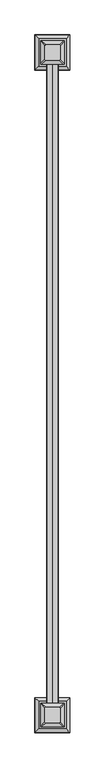
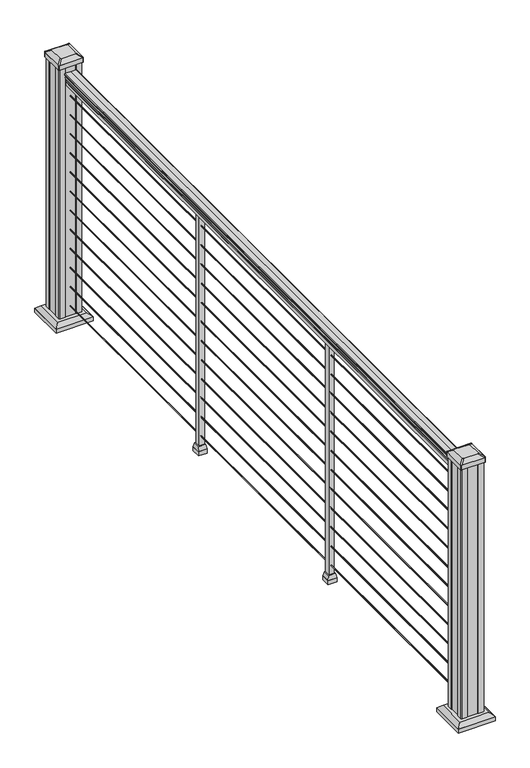
"""IFC4 building model written with IfcOpenShell, lengths in millimetres: railing geometry."""

import ifcopenshell
import ifcopenshell.guid

model = None  # the IFC model being written
_history = None  # IfcOwnerHistory: only IFC2X3 demands one
_inside = {}  # id of a spatial element -> (the spatial element, [elements in it])
_under = {}  # id of a project, library or spatial element -> (it, [spatial elements below it])
_declared = {}  # id of a project -> (the project, [libraries it declares])
_typed = {}  # id of a type object -> (the type object, [elements of that type])
_made_of = {}  # id of a material, layer set ... -> (it, [elements and type objects made of it])


def new_model(schema):
    """Start an empty IFC model of exactly this schema.

    Asked for "IFC4X3", IfcOpenShell would pick the latest addendum, in which some entities
    have other attributes; the version numbers below select the first issue.
    IFC2X3 requires an IfcOwnerHistory on every rooted entity: one is made here for all.
    """
    global model, _history
    if schema == "IFC4X3":
        model = ifcopenshell.file(schema_version=(4, 3, 0, 0))
    else:
        model = ifcopenshell.file(schema=schema)
    _inside.clear()
    _under.clear()
    _declared.clear()
    _typed.clear()
    _made_of.clear()
    _history = None
    if model.schema == "IFC2X3":
        org = make("IfcOrganization", Name="unknown")
        user = make(
            "IfcPersonAndOrganization",
            ThePerson=make("IfcPerson", FamilyName="unknown"),
            TheOrganization=org,
        )
        app = make(
            "IfcApplication",
            ApplicationDeveloper=org,
            Version="unknown",
            ApplicationFullName="unknown",
            ApplicationIdentifier="unknown",
        )
        _history = make(
            "IfcOwnerHistory",
            OwningUser=user,
            OwningApplication=app,
            ChangeAction="ADDED",
            CreationDate=0,
        )
    return model


def make(cls, **values):
    """One entity of the class cls with the attributes given. An attribute that is None is left unset."""
    return model.create_entity(
        cls, **{name: value for name, value in values.items() if value is not None}
    )


def rooted(cls, **values):
    """An entity with a GlobalId (a new one), such as an element, a storey or a relation."""
    return make(cls, GlobalId=ifcopenshell.guid.new(), OwnerHistory=_history, **values)


def si_unit(unit_type, name, prefix=None):
    """IfcSIUnit, for example si_unit("LENGTHUNIT", "METRE", prefix="MILLI")."""
    return make("IfcSIUnit", UnitType=unit_type, Prefix=prefix, Name=name)


def assignment(units):
    """IfcUnitAssignment: the units of a project."""
    return None if units is None else make("IfcUnitAssignment", Units=units)


def point(xyz):
    """IfcCartesianPoint."""
    return None if xyz is None else make("IfcCartesianPoint", Coordinates=xyz)


def direction(xyz):
    """IfcDirection."""
    return None if xyz is None else make("IfcDirection", DirectionRatios=xyz)


def frame(location, z_axis=None, x_axis=None):
    """IfcAxis2Placement3D, a coordinate frame: its origin and axes. An axis left out is left unset."""
    return make(
        "IfcAxis2Placement3D",
        Location=point(location),
        Axis=direction(z_axis),
        RefDirection=direction(x_axis),
    )


def frame_2d(location, x_axis=None):
    """IfcAxis2Placement2D, a coordinate frame in the plane: its origin and x axis."""
    return make(
        "IfcAxis2Placement2D", Location=point(location), RefDirection=direction(x_axis)
    )


def origin():
    """The frame at (0, 0, 0) with its axes left unset."""
    return frame((0.0, 0.0, 0.0))


def origin_with_axes():
    """The frame at (0, 0, 0) with the z axis (0, 0, 1) and the x axis (1, 0, 0) written out."""
    return frame((0.0, 0.0, 0.0), z_axis=(0.0, 0.0, 1.0), x_axis=(1.0, 0.0, 0.0))


def place(relative_to, where):
    """IfcLocalPlacement: puts the frame where relative to a parent placement (None: the world)."""
    return make(
        "IfcLocalPlacement", PlacementRelTo=relative_to, RelativePlacement=where
    )


def context(
    kind, dimensions, precision=None, world=None, true_north=None, identifier=None
):
    """IfcGeometricRepresentationContext, for example the 3D "Model" context."""
    return make(
        "IfcGeometricRepresentationContext",
        ContextIdentifier=identifier,
        ContextType=kind,
        CoordinateSpaceDimension=dimensions,
        Precision=precision,
        WorldCoordinateSystem=world,
        TrueNorth=true_north,
    )


def project(units=None, contexts=None):
    """IfcProject with its units and contexts."""
    return rooted(
        "IfcProject",
        Name="project",
        RepresentationContexts=contexts,
        UnitsInContext=assignment(units),
    )


def spatial(cls, under=None, at=None, **own):
    """A site, building, storey or space (cls), placed at a placement, below another one or the project."""
    s = rooted(cls, ObjectPlacement=at, **own)
    if under is not None:
        _under.setdefault(under.id(), (under, []))[1].append(s)
    return s


def polyline(points):
    """IfcPolyline through the points."""
    return make("IfcPolyline", Points=[point(p) for p in points])


def circle_curve(where, radius):
    """IfcCircle in the frame where."""
    return make("IfcCircle", Position=where, Radius=radius)


def trimmed(basis, trim1, trim2, sense, master):
    """IfcTrimmedCurve: the piece of a basis curve between two trims."""
    return make(
        "IfcTrimmedCurve",
        BasisCurve=basis,
        Trim1=trim1,
        Trim2=trim2,
        SenseAgreement=sense,
        MasterRepresentation=master,
    )


def segment(curve, same_sense, transition):
    """IfcCompositeCurveSegment."""
    return make(
        "IfcCompositeCurveSegment",
        Transition=transition,
        SameSense=same_sense,
        ParentCurve=curve,
    )


def composite_curve(segments, self_intersect=None):
    """IfcCompositeCurve: segments joined end to end."""
    return make("IfcCompositeCurve", Segments=segments, SelfIntersect=self_intersect)


def outline(outer, holes=None, kind="AREA"):
    """IfcArbitraryClosedProfileDef: a profile drawn as a closed curve; with holes, ...WithVoids."""
    if holes is None:
        return make("IfcArbitraryClosedProfileDef", ProfileType=kind, OuterCurve=outer)
    return make(
        "IfcArbitraryProfileDefWithVoids",
        ProfileType=kind,
        OuterCurve=outer,
        InnerCurves=holes,
    )


def extrude(swept, where, along, depth):
    """IfcExtrudedAreaSolid: the profile swept, set in the frame where, extruded along a direction by depth."""
    return make(
        "IfcExtrudedAreaSolid",
        SweptArea=swept,
        Position=where,
        ExtrudedDirection=direction(along),
        Depth=depth,
    )


def faces_of(points, faces, orient=None, outer=None):
    """IfcFace entities. A face is a list of loops; a loop is a list of indices into points, from 0.

    orient and outer hold one flag for each loop. By default every Orientation is true, the
    first loop of a face is its IfcFaceOuterBound and the others are IfcFaceBound.
    """
    made = []
    for i, loops in enumerate(faces):
        bounds = []
        for j, loop in enumerate(loops):
            is_outer = j == 0 if outer is None else outer[i][j]
            bounds.append(
                make(
                    "IfcFaceOuterBound" if is_outer else "IfcFaceBound",
                    Bound=make("IfcPolyLoop", Polygon=[points[k] for k in loop]),
                    Orientation=True if orient is None else orient[i][j],
                )
            )
        made.append(make("IfcFace", Bounds=bounds))
    return made


def faceted_brep(points, faces, orient=None, outer=None, voids=None):
    """IfcFacetedBrep: a solid bounded by flat faces; with voids (closed shells), ...WithVoids."""
    shared = [point(p) for p in points]
    hull = make("IfcClosedShell", CfsFaces=faces_of(shared, faces, orient, outer))
    if voids is None:
        return make("IfcFacetedBrep", Outer=hull)
    return make(
        "IfcFacetedBrepWithVoids",
        Outer=hull,
        Voids=[
            make(cls, CfsFaces=faces_of(shared, fs, o, b)) for cls, fs, o, b in voids
        ],
    )


def shape(context_of_items, identifier, shape_type, items):
    """IfcShapeRepresentation: the items that make up one representation, for example the "Body"."""
    return make(
        "IfcShapeRepresentation",
        ContextOfItems=context_of_items,
        RepresentationIdentifier=identifier,
        RepresentationType=shape_type,
        Items=items,
    )


def source(mapping_origin, context_of_items, identifier, shape_type, items):
    """IfcRepresentationMap: a shape defined once, which mapped items show again and again."""
    return make(
        "IfcRepresentationMap",
        MappingOrigin=mapping_origin,
        MappedRepresentation=shape(context_of_items, identifier, shape_type, items),
    )


def transform(
    local_origin,
    x_axis=None,
    y_axis=None,
    z_axis=None,
    scale=None,
    scale2=None,
    scale3=None,
    uniform=True,
):
    """IfcCartesianTransformationOperator3D, or its non-uniform kind. x_axis, y_axis, z_axis: its Axis1, 2, 3."""
    if uniform:
        return make(
            "IfcCartesianTransformationOperator3D",
            Axis1=direction(x_axis),
            Axis2=direction(y_axis),
            LocalOrigin=point(local_origin),
            Scale=scale,
            Axis3=direction(z_axis),
        )
    return make(
        "IfcCartesianTransformationOperator3DnonUniform",
        Axis1=direction(x_axis),
        Axis2=direction(y_axis),
        LocalOrigin=point(local_origin),
        Scale=scale,
        Axis3=direction(z_axis),
        Scale2=scale2,
        Scale3=scale3,
    )


def mapped(mapping_source, mapping_target):
    """IfcMappedItem: shows the shape of a source again, moved by a transform."""
    return make(
        "IfcMappedItem", MappingSource=mapping_source, MappingTarget=mapping_target
    )


def made_of(thing, what):
    """Note that an element or type object is made of a material, layer set ...; save() writes the relation."""
    if what is not None:
        _made_of.setdefault(what.id(), (what, []))[1].append(thing)
    return thing


def element(
    cls,
    number,
    at=None,
    inside=None,
    cuts=None,
    type_object=None,
    material=None,
    context=None,
    identifier="Body",
    shape_type=None,
    held_by="IfcProductDefinitionShape",
    body=None,
    shapes=None,
    **own,
):
    """One element of the class cls, such as IfcWall. Its Tag is "e" and its number.

    at: its placement. inside: the storey or other place that contains it. cuts: it is an
    opening in that element (IfcRelVoidsElement). A single representation is given by context,
    identifier, shape_type and body (its items); several are given by shapes. held_by: the class
    of the entity that holds the representations. save() writes the other relations.
    """
    e = rooted(cls, Tag="e%d" % number, ObjectPlacement=at, **own)
    if body is not None:
        shapes = [shape(context, identifier, shape_type, body)]
    if shapes is not None:
        e.Representation = make(held_by, Representations=shapes)
    if inside is not None:
        _inside.setdefault(inside.id(), (inside, []))[1].append(e)
    if cuts is not None:
        rooted(
            "IfcRelVoidsElement", RelatingBuildingElement=cuts, RelatedOpeningElement=e
        )
    if type_object is not None:
        _typed.setdefault(type_object.id(), (type_object, []))[1].append(e)
    return made_of(e, material)


def aggregate(whole, parts):
    """IfcRelAggregates: a whole, such as a stair, and the parts it consists of."""
    return rooted("IfcRelAggregates", RelatingObject=whole, RelatedObjects=parts)


def save(model, path):
    """Write the relations noted so far, then the file.

    IfcRelAggregates (storeys below a building ...), IfcRelContainedInSpatialStructure (elements
    in a storey), IfcRelDefinesByType, IfcRelAssociatesMaterial and IfcRelDeclares: one each for
    every whole, place, type object, material and project.
    """
    for whole, parts in _under.values():
        aggregate(whole, parts)
    for where, things in _inside.values():
        rooted(
            "IfcRelContainedInSpatialStructure",
            RelatedElements=things,
            RelatingStructure=where,
        )
    for kind, things in _typed.values():
        rooted("IfcRelDefinesByType", RelatedObjects=things, RelatingType=kind)
    for what, things in _made_of.values():
        rooted("IfcRelAssociatesMaterial", RelatedObjects=things, RelatingMaterial=what)
    for by, libraries in _declared.values():
        rooted("IfcRelDeclares", RelatingContext=by, RelatedDefinitions=libraries)
    model.write(path)


def plane_surface(at):
    """IfcPlane: the flat surface through the origin of the frame at, square to its z axis."""
    return make("IfcPlane", Position=at)


def extruded_surface(curve, direction_of_extrusion, depth):
    """IfcSurfaceOfLinearExtrusion: the curve pushed along a direction by depth."""
    return make(
        "IfcSurfaceOfLinearExtrusion",
        SweptCurve=make("IfcArbitraryOpenProfileDef", ProfileType="CURVE", Curve=curve),
        ExtrudedDirection=direction(direction_of_extrusion),
        Depth=depth,
    )


def advanced_brep(points, edges, surfaces, faces):
    """IfcAdvancedBrep: a solid bounded by faces that lie on surfaces and meet in shared edges.

    An edge is (start, end): straight between two places in points (the first is 0);
    or (start, end, curve); or (start, end, curve, False) where it runs against its curve.
    A face is (place in surfaces, loops), or (place, loops, False) where it looks against
    its surface's normal. A loop lists edges by number (the first is 1), with a minus sign
    where the edge is run from its end to its start. The first loop is the outer one.
    """
    corners = [point(p) for p in points]
    vertices = [make("IfcVertexPoint", VertexGeometry=c) for c in corners]
    made = []
    for start, end, *more in edges:
        made.append(
            make(
                "IfcEdgeCurve",
                EdgeStart=vertices[start],
                EdgeEnd=vertices[end],
                EdgeGeometry=more[0] if more else make("IfcPolyline", Points=[corners[start], corners[end]]),
                SameSense=more[1] if len(more) > 1 else True,
            )
        )
    hull = []
    for where, loops, *sense in faces:
        bounds = []
        for j, loop in enumerate(loops):
            ring = [make("IfcOrientedEdge", EdgeElement=made[abs(k) - 1], Orientation=k > 0) for k in loop]
            bounds.append(
                make(
                    "IfcFaceOuterBound" if j == 0 else "IfcFaceBound",
                    Bound=make("IfcEdgeLoop", EdgeList=ring),
                    Orientation=True,
                )
            )
        hull.append(make("IfcAdvancedFace", Bounds=bounds, FaceSurface=surfaces[where], SameSense=sense[0] if sense else True))
    return make("IfcAdvancedBrep", Outer=make("IfcClosedShell", CfsFaces=hull))


def railing_81ec1848(model_context):
    return source(origin(), model_context, "Body", "SolidModel", [
        extrude(outline(composite_curve([segment(polyline([(938.4043297, 817.3789699), (940.292412, 817.3789699)]), True, "CONTINUOUS"), segment(trimmed(circle_curve(frame_2d((946.0506383, 811.0642167)), 8.545951), [point((940.292412, 817.3789699))], [point((941.8546695, 818.5091562))], False, "CARTESIAN"), True, "CONTINUOUS"), segment(trimmed(circle_curve(frame_2d((945.4636577, 811.5012796)), 7.882584), [point((941.8546695, 818.5091562))], [point((949.0726458, 818.5091562))], False, "CARTESIAN"), True, "CONTINUOUS"), segment(trimmed(circle_curve(frame_2d((951.3112527, 822.0146037)), 4.1592695), [point((949.0726458, 818.5091562))], [point((951.5060812, 817.8598998))], True, "CARTESIAN"), True, "CONTINUOUS"), segment(trimmed(circle_curve(frame_2d((951.2508864, 823.3019103)), 5.4479907), [point((951.5060812, 817.8598998))], [point((955.8362083, 820.3598998))], True, "CARTESIAN"), True, "CONTINUOUS"), segment(trimmed(circle_curve(frame_2d((955.833395, 822.0687519)), 1.7088543), [point((955.8362083, 820.3598998))], [point((957.5157972, 821.7692423))], True, "CARTESIAN"), True, "CONTINUOUS"), segment(trimmed(circle_curve(frame_2d((958.6205318, 820.4518518)), 1.7192895), [point((957.5157972, 821.7692423))], [point((958.6205318, 822.1711413))], False, "CARTESIAN"), True, "CONTINUOUS"), segment(polyline([(958.6205318, 822.1711413), (959.9608158, 822.1711412)]), True, "CONTINUOUS"), segment(trimmed(circle_curve(frame_2d((959.9608158, 820.617694)), 1.5534472), [point((959.9608158, 822.1711412))], [point((961.514263, 820.617694))], False, "CARTESIAN"), True, "CONTINUOUS"), segment(polyline([(961.514263, 820.617694), (961.514263, 799.9461412), (961.514263, 779.2745884)]), True, "CONTINUOUS"), segment(trimmed(circle_curve(frame_2d((959.9608158, 779.2745884)), 1.5534472), [point((961.514263, 779.2745884))], [point((959.9608158, 777.7211412))], False, "CARTESIAN"), True, "CONTINUOUS"), segment(polyline([(959.9608158, 777.7211412), (958.6205318, 777.7211412)]), True, "CONTINUOUS"), segment(trimmed(circle_curve(frame_2d((958.6205318, 779.4404306)), 1.7192895), [point((958.6205318, 777.7211412))], [point((957.5157972, 778.1230401))], False, "CARTESIAN"), True, "CONTINUOUS"), segment(trimmed(circle_curve(frame_2d((955.833395, 777.8235305)), 1.7088543), [point((957.5157972, 778.1230401))], [point((955.8362083, 779.5323826))], True, "CARTESIAN"), True, "CONTINUOUS"), segment(trimmed(circle_curve(frame_2d((951.2508864, 776.5903721)), 5.4479907), [point((955.8362083, 779.5323826))], [point((951.5060812, 782.0323826))], True, "CARTESIAN"), True, "CONTINUOUS"), segment(trimmed(circle_curve(frame_2d((951.3112527, 777.8776786)), 4.1592695), [point((951.5060812, 782.0323826))], [point((949.0726458, 781.3831262))], True, "CARTESIAN"), True, "CONTINUOUS"), segment(trimmed(circle_curve(frame_2d((945.4636577, 788.3910028)), 7.882584), [point((949.0726458, 781.3831262))], [point((941.8546695, 781.3831262))], False, "CARTESIAN"), True, "CONTINUOUS"), segment(trimmed(circle_curve(frame_2d((946.0506383, 788.8280657)), 8.545951), [point((941.8546695, 781.3831262))], [point((940.292412, 782.5133125))], False, "CARTESIAN"), True, "CONTINUOUS"), segment(polyline([(940.292412, 782.5133125), (938.4043297, 782.5133125)]), True, "CONTINUOUS"), segment(trimmed(circle_curve(frame_2d((938.4043297, 783.8002268)), 1.2869144), [point((938.4043297, 782.5133125))], [point((938.4043297, 785.0871412))], False, "CARTESIAN"), True, "CONTINUOUS"), segment(polyline([(938.4043297, 785.0871412), (927.9048283, 785.0871412), (926.8888283, 784.0711412), (914.4, 784.0711412), (914.4, 815.8211412), (926.731013, 815.8211412), (927.747013, 814.8051412), (938.4043297, 814.8051412)]), True, "CONTINUOUS"), segment(trimmed(circle_curve(frame_2d((938.4043297, 816.0920556)), 1.2869144), [point((938.4043297, 814.8051412))], [point((938.4043297, 817.3789699))], False, "CARTESIAN"), True, "CONTINUOUS")], self_intersect=False)), frame((0.0, -97456.2786705, 0.0), z_axis=(0.0, 1.0, 0.0), x_axis=(0.0, 0.0, 1.0)), (0.0, 0.0, 1.0), 2438.4),
        extrude(outline(composite_curve([segment(trimmed(circle_curve(frame_2d((65.024, 799.9461412)), 1.5875), [point((65.024, 798.3586412))], [point((63.4365, 799.9461412))], False, "CARTESIAN"), True, "CONTINUOUS"), segment(trimmed(circle_curve(frame_2d((65.024, 799.9461412)), 1.5875), [point((63.4365, 799.9461412))], [point((65.024, 801.5336412))], False, "CARTESIAN"), True, "CONTINUOUS"), segment(trimmed(circle_curve(frame_2d((65.024, 799.9461412)), 1.5875), [point((65.024, 801.5336412))], [point((66.6115, 799.9461412))], False, "CARTESIAN"), True, "CONTINUOUS"), segment(trimmed(circle_curve(frame_2d((65.024, 799.9461412)), 1.5875), [point((66.6115, 799.9461412))], [point((65.024, 798.3586412))], False, "CARTESIAN"), True, "CONTINUOUS")], self_intersect=False)), frame((0.0, -97456.2786705, 0.0), z_axis=(0.0, 1.0, 0.0), x_axis=(0.0, 0.0, 1.0)), (0.0, 0.0, 1.0), 2438.4),
        extrude(outline(composite_curve([segment(trimmed(circle_curve(frame_2d((138.176, 799.9461412)), 1.5875), [point((138.176, 798.3586412))], [point((136.5885, 799.9461412))], False, "CARTESIAN"), True, "CONTINUOUS"), segment(trimmed(circle_curve(frame_2d((138.176, 799.9461412)), 1.5875), [point((136.5885, 799.9461412))], [point((138.176, 801.5336412))], False, "CARTESIAN"), True, "CONTINUOUS"), segment(trimmed(circle_curve(frame_2d((138.176, 799.9461412)), 1.5875), [point((138.176, 801.5336412))], [point((139.7635, 799.9461412))], False, "CARTESIAN"), True, "CONTINUOUS"), segment(trimmed(circle_curve(frame_2d((138.176, 799.9461412)), 1.5875), [point((139.7635, 799.9461412))], [point((138.176, 798.3586412))], False, "CARTESIAN"), True, "CONTINUOUS")], self_intersect=False)), frame((0.0, -97456.2786705, 0.0), z_axis=(0.0, 1.0, 0.0), x_axis=(0.0, 0.0, 1.0)), (0.0, 0.0, 1.0), 2438.4),
        extrude(outline(composite_curve([segment(trimmed(circle_curve(frame_2d((211.074, 799.9461412)), 1.5875), [point((211.074, 798.3586412))], [point((209.4865, 799.9461412))], False, "CARTESIAN"), True, "CONTINUOUS"), segment(trimmed(circle_curve(frame_2d((211.074, 799.9461412)), 1.5875), [point((209.4865, 799.9461412))], [point((211.074, 801.5336412))], False, "CARTESIAN"), True, "CONTINUOUS"), segment(trimmed(circle_curve(frame_2d((211.074, 799.9461412)), 1.5875), [point((211.074, 801.5336412))], [point((212.6615, 799.9461412))], False, "CARTESIAN"), True, "CONTINUOUS"), segment(trimmed(circle_curve(frame_2d((211.074, 799.9461412)), 1.5875), [point((212.6615, 799.9461412))], [point((211.074, 798.3586412))], False, "CARTESIAN"), True, "CONTINUOUS")], self_intersect=False)), frame((0.0, -97456.2786705, 0.0), z_axis=(0.0, 1.0, 0.0), x_axis=(0.0, 0.0, 1.0)), (0.0, 0.0, 1.0), 2438.4),
        extrude(outline(composite_curve([segment(trimmed(circle_curve(frame_2d((284.226, 799.9461412)), 1.5875), [point((284.226, 798.3586412))], [point((282.6385, 799.9461412))], False, "CARTESIAN"), True, "CONTINUOUS"), segment(trimmed(circle_curve(frame_2d((284.226, 799.9461412)), 1.5875), [point((282.6385, 799.9461412))], [point((284.226, 801.5336412))], False, "CARTESIAN"), True, "CONTINUOUS"), segment(trimmed(circle_curve(frame_2d((284.226, 799.9461412)), 1.5875), [point((284.226, 801.5336412))], [point((285.8135, 799.9461412))], False, "CARTESIAN"), True, "CONTINUOUS"), segment(trimmed(circle_curve(frame_2d((284.226, 799.9461412)), 1.5875), [point((285.8135, 799.9461412))], [point((284.226, 798.3586412))], False, "CARTESIAN"), True, "CONTINUOUS")], self_intersect=False)), frame((0.0, -97456.2786705, 0.0), z_axis=(0.0, 1.0, 0.0), x_axis=(0.0, 0.0, 1.0)), (0.0, 0.0, 1.0), 2438.4),
        extrude(outline(composite_curve([segment(trimmed(circle_curve(frame_2d((357.124, 799.9461412)), 1.5875), [point((357.124, 798.3586412))], [point((355.5365, 799.9461412))], False, "CARTESIAN"), True, "CONTINUOUS"), segment(trimmed(circle_curve(frame_2d((357.124, 799.9461412)), 1.5875), [point((355.5365, 799.9461412))], [point((357.124, 801.5336412))], False, "CARTESIAN"), True, "CONTINUOUS"), segment(trimmed(circle_curve(frame_2d((357.124, 799.9461412)), 1.5875), [point((357.124, 801.5336412))], [point((358.7115, 799.9461412))], False, "CARTESIAN"), True, "CONTINUOUS"), segment(trimmed(circle_curve(frame_2d((357.124, 799.9461412)), 1.5875), [point((358.7115, 799.9461412))], [point((357.124, 798.3586412))], False, "CARTESIAN"), True, "CONTINUOUS")], self_intersect=False)), frame((0.0, -97456.2786705, 0.0), z_axis=(0.0, 1.0, 0.0), x_axis=(0.0, 0.0, 1.0)), (0.0, 0.0, 1.0), 2438.4),
        extrude(outline(composite_curve([segment(trimmed(circle_curve(frame_2d((430.276, 799.9461412)), 1.5875), [point((430.276, 798.3586412))], [point((428.6885, 799.9461412))], False, "CARTESIAN"), True, "CONTINUOUS"), segment(trimmed(circle_curve(frame_2d((430.276, 799.9461412)), 1.5875), [point((428.6885, 799.9461412))], [point((430.276, 801.5336412))], False, "CARTESIAN"), True, "CONTINUOUS"), segment(trimmed(circle_curve(frame_2d((430.276, 799.9461412)), 1.5875), [point((430.276, 801.5336412))], [point((431.8635, 799.9461412))], False, "CARTESIAN"), True, "CONTINUOUS"), segment(trimmed(circle_curve(frame_2d((430.276, 799.9461412)), 1.5875), [point((431.8635, 799.9461412))], [point((430.276, 798.3586412))], False, "CARTESIAN"), True, "CONTINUOUS")], self_intersect=False)), frame((0.0, -97456.2786705, 0.0), z_axis=(0.0, 1.0, 0.0), x_axis=(0.0, 0.0, 1.0)), (0.0, 0.0, 1.0), 2438.4),
        extrude(outline(composite_curve([segment(trimmed(circle_curve(frame_2d((503.174, 799.9461412)), 1.5875), [point((503.174, 798.3586412))], [point((501.5865, 799.9461412))], False, "CARTESIAN"), True, "CONTINUOUS"), segment(trimmed(circle_curve(frame_2d((503.174, 799.9461412)), 1.5875), [point((501.5865, 799.9461412))], [point((503.174, 801.5336412))], False, "CARTESIAN"), True, "CONTINUOUS"), segment(trimmed(circle_curve(frame_2d((503.174, 799.9461412)), 1.5875), [point((503.174, 801.5336412))], [point((504.7615, 799.9461412))], False, "CARTESIAN"), True, "CONTINUOUS"), segment(trimmed(circle_curve(frame_2d((503.174, 799.9461412)), 1.5875), [point((504.7615, 799.9461412))], [point((503.174, 798.3586412))], False, "CARTESIAN"), True, "CONTINUOUS")], self_intersect=False)), frame((0.0, -97456.2786705, 0.0), z_axis=(0.0, 1.0, 0.0), x_axis=(0.0, 0.0, 1.0)), (0.0, 0.0, 1.0), 2438.4),
        extrude(outline(composite_curve([segment(trimmed(circle_curve(frame_2d((576.326, 799.9461412)), 1.5875), [point((576.326, 798.3586412))], [point((574.7385, 799.9461412))], False, "CARTESIAN"), True, "CONTINUOUS"), segment(trimmed(circle_curve(frame_2d((576.326, 799.9461412)), 1.5875), [point((574.7385, 799.9461412))], [point((576.326, 801.5336412))], False, "CARTESIAN"), True, "CONTINUOUS"), segment(trimmed(circle_curve(frame_2d((576.326, 799.9461412)), 1.5875), [point((576.326, 801.5336412))], [point((577.9135, 799.9461412))], False, "CARTESIAN"), True, "CONTINUOUS"), segment(trimmed(circle_curve(frame_2d((576.326, 799.9461412)), 1.5875), [point((577.9135, 799.9461412))], [point((576.326, 798.3586412))], False, "CARTESIAN"), True, "CONTINUOUS")], self_intersect=False)), frame((0.0, -97456.2786705, 0.0), z_axis=(0.0, 1.0, 0.0), x_axis=(0.0, 0.0, 1.0)), (0.0, 0.0, 1.0), 2438.4),
        extrude(outline(composite_curve([segment(trimmed(circle_curve(frame_2d((649.224, 799.9461412)), 1.5875), [point((649.224, 798.3586412))], [point((647.6365, 799.9461412))], False, "CARTESIAN"), True, "CONTINUOUS"), segment(trimmed(circle_curve(frame_2d((649.224, 799.9461412)), 1.5875), [point((647.6365, 799.9461412))], [point((649.224, 801.5336412))], False, "CARTESIAN"), True, "CONTINUOUS"), segment(trimmed(circle_curve(frame_2d((649.224, 799.9461412)), 1.5875), [point((649.224, 801.5336412))], [point((650.8115, 799.9461412))], False, "CARTESIAN"), True, "CONTINUOUS"), segment(trimmed(circle_curve(frame_2d((649.224, 799.9461412)), 1.5875), [point((650.8115, 799.9461412))], [point((649.224, 798.3586412))], False, "CARTESIAN"), True, "CONTINUOUS")], self_intersect=False)), frame((0.0, -97456.2786705, 0.0), z_axis=(0.0, 1.0, 0.0), x_axis=(0.0, 0.0, 1.0)), (0.0, 0.0, 1.0), 2438.4),
        extrude(outline(composite_curve([segment(trimmed(circle_curve(frame_2d((722.376, 799.9461412)), 1.5875), [point((722.376, 798.3586412))], [point((720.7885, 799.9461412))], False, "CARTESIAN"), True, "CONTINUOUS"), segment(trimmed(circle_curve(frame_2d((722.376, 799.9461412)), 1.5875), [point((720.7885, 799.9461412))], [point((722.376, 801.5336412))], False, "CARTESIAN"), True, "CONTINUOUS"), segment(trimmed(circle_curve(frame_2d((722.376, 799.9461412)), 1.5875), [point((722.376, 801.5336412))], [point((723.9635, 799.9461412))], False, "CARTESIAN"), True, "CONTINUOUS"), segment(trimmed(circle_curve(frame_2d((722.376, 799.9461412)), 1.5875), [point((723.9635, 799.9461412))], [point((722.376, 798.3586412))], False, "CARTESIAN"), True, "CONTINUOUS")], self_intersect=False)), frame((0.0, -97456.2786705, 0.0), z_axis=(0.0, 1.0, 0.0), x_axis=(0.0, 0.0, 1.0)), (0.0, 0.0, 1.0), 2438.4),
        extrude(outline(composite_curve([segment(trimmed(circle_curve(frame_2d((795.274, 799.9461412)), 1.5875), [point((795.274, 798.3586412))], [point((793.6865, 799.9461412))], False, "CARTESIAN"), True, "CONTINUOUS"), segment(trimmed(circle_curve(frame_2d((795.274, 799.9461412)), 1.5875), [point((793.6865, 799.9461412))], [point((795.274, 801.5336412))], False, "CARTESIAN"), True, "CONTINUOUS"), segment(trimmed(circle_curve(frame_2d((795.274, 799.9461412)), 1.5875), [point((795.274, 801.5336412))], [point((796.8615, 799.9461412))], False, "CARTESIAN"), True, "CONTINUOUS"), segment(trimmed(circle_curve(frame_2d((795.274, 799.9461412)), 1.5875), [point((796.8615, 799.9461412))], [point((795.274, 798.3586412))], False, "CARTESIAN"), True, "CONTINUOUS")], self_intersect=False)), frame((0.0, -97456.2786705, 0.0), z_axis=(0.0, 1.0, 0.0), x_axis=(0.0, 0.0, 1.0)), (0.0, 0.0, 1.0), 2438.4),
        extrude(outline(composite_curve([segment(trimmed(circle_curve(frame_2d((868.426, 799.9461412)), 1.5875), [point((868.426, 798.3586412))], [point((866.8385, 799.9461412))], False, "CARTESIAN"), True, "CONTINUOUS"), segment(trimmed(circle_curve(frame_2d((868.426, 799.9461412)), 1.5875), [point((866.8385, 799.9461412))], [point((868.426, 801.5336412))], False, "CARTESIAN"), True, "CONTINUOUS"), segment(trimmed(circle_curve(frame_2d((868.426, 799.9461412)), 1.5875), [point((868.426, 801.5336412))], [point((870.0135, 799.9461412))], False, "CARTESIAN"), True, "CONTINUOUS"), segment(trimmed(circle_curve(frame_2d((868.426, 799.9461412)), 1.5875), [point((870.0135, 799.9461412))], [point((868.426, 798.3586412))], False, "CARTESIAN"), True, "CONTINUOUS")], self_intersect=False)), frame((0.0, -97456.2786705, 0.0), z_axis=(0.0, 1.0, 0.0), x_axis=(0.0, 0.0, 1.0)), (0.0, 0.0, 1.0), 2438.4),
        faceted_brep([(812.6461412, -95843.3786705, 32.1497081), (812.6461412, -95817.9786705, 32.1497081), (787.2461412, -95817.9786705, 32.1497081), (787.2461412, -95843.3786705, 32.1497081), (815.8211412, -95846.5536705, 16.2747081), (784.0711412, -95846.5536705, 16.2747081), (784.0711412, -95814.8036705, 16.2747081), (815.8211412, -95814.8036705, 16.2747081)], [[[0, 1, 2, 3]], [[4, 5, 6, 7]], [[4, 0, 3, 5]], [[5, 3, 2, 6]], [[6, 2, 1, 7]], [[7, 1, 0, 4]]]),
        extrude(outline(polyline([(815.8211412, -95846.5536705), (784.0711412, -95846.5536705), (784.0711412, -95814.8036705), (815.8211412, -95814.8036705), (815.8211412, -95846.5536705)])), origin_with_axes(), (0.0, 0.0, 1.0), 16.2747081),
        extrude(outline(polyline([(809.4711412, -95840.2036705), (790.4211412, -95840.2036705), (790.4211412, -95821.1536705), (809.4711412, -95821.1536705), (809.4711412, -95840.2036705)])), origin_with_axes(), (0.0, 0.0, 1.0), 914.4),
        faceted_brep([(812.6461412, -96656.1786705, 32.1497081), (812.6461412, -96630.7786705, 32.1497081), (787.2461412, -96630.7786705, 32.1497081), (787.2461412, -96656.1786705, 32.1497081), (815.8211412, -96659.3536705, 16.2747081), (784.0711412, -96659.3536705, 16.2747081), (784.0711412, -96627.6036705, 16.2747081), (815.8211412, -96627.6036705, 16.2747081)], [[[0, 1, 2, 3]], [[4, 5, 6, 7]], [[4, 0, 3, 5]], [[5, 3, 2, 6]], [[6, 2, 1, 7]], [[7, 1, 0, 4]]]),
        extrude(outline(polyline([(815.8211412, -96659.3536705), (784.0711412, -96659.3536705), (784.0711412, -96627.6036705), (815.8211412, -96627.6036705), (815.8211412, -96659.3536705)])), origin_with_axes(), (0.0, 0.0, 1.0), 16.2747081),
        extrude(outline(polyline([(809.4711412, -96653.0036705), (790.4211412, -96653.0036705), (790.4211412, -96633.9536705), (809.4711412, -96633.9536705), (809.4711412, -96653.0036705)])), origin_with_axes(), (0.0, 0.0, 1.0), 914.4),
        faceted_brep([(852.5320787, -95029.062608, 28.575), (852.5320787, -94923.890733, 28.575), (747.3602037, -94923.890733, 28.575), (747.3602037, -95029.062608, 28.575), (866.5715318, -95043.1020611, 15.24), (733.3207506, -95043.1020611, 15.24), (733.3207506, -94909.8512798, 15.24), (866.5715318, -94909.8512798, 15.24)], [[[0, 1, 2, 3]], [[4, 5, 6, 7]], [[4, 0, 3, 5]], [[5, 3, 2, 6]], [[6, 2, 1, 7]], [[7, 1, 0, 4]]]),
        extrude(outline(polyline([(866.5715318, -95043.1020611), (733.3207506, -95043.1020611), (733.3207506, -94909.8512798), (866.5715318, -94909.8512798), (866.5715318, -95043.1020611)])), origin_with_axes(), (0.0, 0.0, 1.0), 15.24),
        advanced_brep(
        [(774.1492662, -95005.4485455, 1012.825), (825.7430162, -95005.4485455, 1012.825), (828.9180162, -95002.2735455, 1012.825), (828.9180162, -94950.6797955, 1012.825), (825.7430162, -94947.5047955, 1012.825), (774.1492662, -94947.5047955, 1012.825), (770.9742662, -94950.6797955, 1012.825), (770.9742662, -95002.2735455, 1012.825), (757.8773912, -95021.7204205, 1001.522), (754.7023912, -95018.5454205, 1001.522), (754.7023912, -94934.4079205, 1001.522), (757.8773912, -94931.2329205, 1001.522), (842.0148912, -94931.2329205, 1001.522), (845.1898912, -94934.4079205, 1001.522), (845.1898912, -95018.5454205, 1001.522), (842.0148912, -95021.7204205, 1001.522)],
        [
            (0, 1),
            (1, 2, circle_curve(frame((825.7430162, -95002.2735455, 1012.825), z_axis=(0.0, 0.0, 1.0), x_axis=(0.0, 1.0, 0.0)), 3.175)),
            (2, 3),
            (3, 4, circle_curve(frame((825.7430162, -94950.6797955, 1012.825), z_axis=(0.0, 0.0, 1.0), x_axis=(0.0, 1.0, 0.0)), 3.175)),
            (4, 5),
            (5, 6, circle_curve(frame((774.1492662, -94950.6797955, 1012.825), z_axis=(0.0, 0.0, 1.0), x_axis=(0.0, 1.0, 0.0)), 3.175)),
            (6, 7),
            (7, 0, circle_curve(frame((774.1492662, -95002.2735455, 1012.825), z_axis=(0.0, 0.0, 1.0), x_axis=(0.0, 1.0, 0.0)), 3.175)),
            (8, 9, circle_curve(frame((757.8773912, -95018.5454205, 1001.522), z_axis=(0.0, 0.0, -1.0), x_axis=(0.0, 1.0, 0.0)), 3.175)),
            (9, 10),
            (10, 11, circle_curve(frame((757.8773912, -94934.4079205, 1001.522), z_axis=(0.0, 0.0, -1.0), x_axis=(0.0, 1.0, 0.0)), 3.175)),
            (11, 12),
            (12, 13, circle_curve(frame((842.0148912, -94934.4079205, 1001.522), z_axis=(0.0, 0.0, -1.0), x_axis=(0.0, 1.0, 0.0)), 3.175)),
            (13, 14),
            (14, 15, circle_curve(frame((842.0148912, -95018.5454205, 1001.522), z_axis=(0.0, 0.0, -1.0), x_axis=(0.0, 1.0, 0.0)), 3.175)),
            (15, 8),
            (8, 0),
            (7, 9),
            (6, 10),
            (5, 11),
            (4, 12),
            (3, 13),
            (2, 14),
            (1, 15),
        ],
        [
            plane_surface(frame((799.9461412, -94976.4766705, 1012.825), z_axis=(0.0, 0.0, 1.0), x_axis=(-1.0, 0.0, 0.0))),
            plane_surface(frame((799.9461412, -94976.4766705, 1001.522), z_axis=(0.0, 0.0, -1.0), x_axis=(-1.0, 0.0, 0.0))),
            extruded_surface(trimmed(circle_curve(frame((774.1492662, -95002.2735455, 1012.825), z_axis=(0.0, 0.0, -1.0), x_axis=(0.0, 1.0, 0.0)), 3.175), [point((774.1492662, -95005.4485455, 1012.825))], [point((770.9742662, -95002.2735455, 1012.825))], True, "CARTESIAN"), (-16.271875000000023, -16.27187500000582, -11.302999999999997), 25.637972638869872),
            plane_surface(frame((754.7023912, -94976.4766705, 1001.522), z_axis=(-0.5705009161540779, 0.0, 0.8212969649690408), x_axis=(0.0, 1.0, 0.0))),
            extruded_surface(trimmed(circle_curve(frame((774.1492662, -94950.6797955, 1012.825), z_axis=(0.0, 0.0, -1.0), x_axis=(0.0, 1.0, 0.0)), 3.175), [point((770.9742662, -94950.6797955, 1012.825))], [point((774.1492662, -94947.5047955, 1012.825))], True, "CARTESIAN"), (-16.271875000000023, 16.27187499999127, -11.302999999999997), 25.637972638860635),
            plane_surface(frame((799.9461412, -94931.2329205, 1001.522), z_axis=(0.0, 0.5705009161540291, 0.8212969649690747), x_axis=(1.0, 0.0, 0.0))),
            extruded_surface(trimmed(circle_curve(frame((825.7430162, -94950.6797955, 1012.825), z_axis=(0.0, 0.0, -1.0), x_axis=(0.0, 1.0, 0.0)), 3.175), [point((825.7430162, -94947.5047955, 1012.825))], [point((828.9180162, -94950.6797955, 1012.825))], True, "CARTESIAN"), (16.27187499999991, 16.27187499999127, -11.302999999999997), 25.63797263886056),
            plane_surface(frame((845.1898912, -94976.4766705, 1001.522), z_axis=(0.5705009161540141, 0.0, 0.8212969649690851), x_axis=(0.0, -1.0, 0.0))),
            extruded_surface(trimmed(circle_curve(frame((825.7430162, -95002.2735455, 1012.825), z_axis=(0.0, 0.0, -1.0), x_axis=(0.0, 1.0, 0.0)), 3.175), [point((828.9180162, -95002.2735455, 1012.825))], [point((825.7430162, -95005.4485455, 1012.825))], True, "CARTESIAN"), (16.27187499999991, -16.27187500000582, -11.302999999999997), 25.637972638869797),
            plane_surface(frame((799.9461412, -95021.7204205, 1001.522), z_axis=(0.0, -0.570500916154034, 0.8212969649690713), x_axis=(-1.0, 0.0, 0.0))),
        ],
        [
            (0, [[1, 2, 3, 4, 5, 6, 7, 8]]),
            (1, [[9, 10, 11, 12, 13, 14, 15, 16]]),
            (2, [[17, -8, 18, -9]]),
            (3, [[-18, -7, 19, -10]]),
            (4, [[-19, -6, 20, -11]]),
            (5, [[-20, -5, 21, -12]]),
            (6, [[-21, -4, 22, -13]]),
            (7, [[-22, -3, 23, -14]]),
            (8, [[-23, -2, 24, -15]]),
            (9, [[-24, -1, -17, -16]]),
        ],
    ),
        extrude(outline(composite_curve([segment(trimmed(circle_curve(frame_2d((757.8773912, -95018.5454205)), 3.175), [point((757.8773912, -95021.7204205))], [point((754.7023912, -95018.5454205))], False, "CARTESIAN"), True, "CONTINUOUS"), segment(polyline([(754.7023912, -95018.5454205), (754.7023912, -94934.4079205)]), True, "CONTINUOUS"), segment(trimmed(circle_curve(frame_2d((757.8773912, -94934.4079205)), 3.175), [point((754.7023912, -94934.4079205))], [point((757.8773912, -94931.2329205))], False, "CARTESIAN"), True, "CONTINUOUS"), segment(polyline([(757.8773912, -94931.2329205), (842.0148912, -94931.2329205)]), True, "CONTINUOUS"), segment(trimmed(circle_curve(frame_2d((842.0148912, -94934.4079205)), 3.175), [point((842.0148912, -94931.2329205))], [point((845.1898912, -94934.4079205))], False, "CARTESIAN"), True, "CONTINUOUS"), segment(polyline([(845.1898912, -94934.4079205), (845.1898912, -95018.5454205)]), True, "CONTINUOUS"), segment(trimmed(circle_curve(frame_2d((842.0148912, -95018.5454205)), 3.175), [point((845.1898912, -95018.5454205))], [point((842.0148912, -95021.7204205))], False, "CARTESIAN"), True, "CONTINUOUS"), segment(polyline([(842.0148912, -95021.7204205), (757.8773912, -95021.7204205)]), True, "CONTINUOUS")], self_intersect=False)), frame((0.0, 0.0, 984.25), z_axis=(0.0, 0.0, 1.0), x_axis=(1.0, 0.0, 0.0)), (0.0, 0.0, 1.0), 17.272),
        extrude(outline(polyline([(760.2586412, -95017.7516705), (758.6711412, -95016.1641705), (758.6711412, -94996.5426705), (760.2586412, -94995.7806705), (760.2586412, -94957.1726705), (758.6711412, -94956.4106705), (758.6711412, -94936.7891705), (760.2586412, -94935.2016705), (779.8801412, -94935.2016705), (780.6421412, -94936.7891705), (819.2501412, -94936.7891705), (820.0121412, -94935.2016705), (839.6336412, -94935.2016705), (841.2211412, -94936.7891705), (841.2211412, -94956.4106705), (839.6336412, -94957.1726705), (839.6336412, -94995.7806705), (841.2211412, -94996.5426705), (841.2211412, -95016.1641705), (839.6336412, -95017.7516705), (820.0121412, -95017.7516705), (819.2501412, -95016.1641705), (780.6421412, -95016.1641705), (779.8801412, -95017.7516705), (760.2586412, -95017.7516705)])), origin_with_axes(), (0.0, 0.0, 1.0), 984.25),
        faceted_brep([(852.5320787, -97550.266608, 28.575), (852.5320787, -97445.094733, 28.575), (747.3602037, -97445.094733, 28.575), (747.3602037, -97550.266608, 28.575), (866.5715318, -97564.3060611, 15.24), (733.3207506, -97564.3060611, 15.24), (733.3207506, -97431.0552798, 15.24), (866.5715318, -97431.0552798, 15.24)], [[[0, 1, 2, 3]], [[4, 5, 6, 7]], [[4, 0, 3, 5]], [[5, 3, 2, 6]], [[6, 2, 1, 7]], [[7, 1, 0, 4]]]),
        extrude(outline(polyline([(866.5715318, -97564.3060611), (733.3207506, -97564.3060611), (733.3207506, -97431.0552798), (866.5715318, -97431.0552798), (866.5715318, -97564.3060611)])), origin_with_axes(), (0.0, 0.0, 1.0), 15.24),
        advanced_brep(
        [(774.1492662, -97526.6525455, 1012.825), (825.7430162, -97526.6525455, 1012.825), (828.9180162, -97523.4775455, 1012.825), (828.9180162, -97471.8837955, 1012.825), (825.7430162, -97468.7087955, 1012.825), (774.1492662, -97468.7087955, 1012.825), (770.9742662, -97471.8837955, 1012.825), (770.9742662, -97523.4775455, 1012.825), (757.8773912, -97542.9244205, 1001.522), (754.7023912, -97539.7494205, 1001.522), (754.7023912, -97455.6119205, 1001.522), (757.8773912, -97452.4369205, 1001.522), (842.0148912, -97452.4369205, 1001.522), (845.1898912, -97455.6119205, 1001.522), (845.1898912, -97539.7494205, 1001.522), (842.0148912, -97542.9244205, 1001.522)],
        [
            (0, 1),
            (1, 2, circle_curve(frame((825.7430162, -97523.4775455, 1012.825), z_axis=(0.0, 0.0, 1.0), x_axis=(0.0, 1.0, 0.0)), 3.175)),
            (2, 3),
            (3, 4, circle_curve(frame((825.7430162, -97471.8837955, 1012.825), z_axis=(0.0, 0.0, 1.0), x_axis=(0.0, 1.0, 0.0)), 3.175)),
            (4, 5),
            (5, 6, circle_curve(frame((774.1492662, -97471.8837955, 1012.825), z_axis=(0.0, 0.0, 1.0), x_axis=(0.0, 1.0, 0.0)), 3.175)),
            (6, 7),
            (7, 0, circle_curve(frame((774.1492662, -97523.4775455, 1012.825), z_axis=(0.0, 0.0, 1.0), x_axis=(0.0, 1.0, 0.0)), 3.175)),
            (8, 9, circle_curve(frame((757.8773912, -97539.7494205, 1001.522), z_axis=(0.0, 0.0, -1.0), x_axis=(0.0, 1.0, 0.0)), 3.175)),
            (9, 10),
            (10, 11, circle_curve(frame((757.8773912, -97455.6119205, 1001.522), z_axis=(0.0, 0.0, -1.0), x_axis=(0.0, 1.0, 0.0)), 3.175)),
            (11, 12),
            (12, 13, circle_curve(frame((842.0148912, -97455.6119205, 1001.522), z_axis=(0.0, 0.0, -1.0), x_axis=(0.0, 1.0, 0.0)), 3.175)),
            (13, 14),
            (14, 15, circle_curve(frame((842.0148912, -97539.7494205, 1001.522), z_axis=(0.0, 0.0, -1.0), x_axis=(0.0, 1.0, 0.0)), 3.175)),
            (15, 8),
            (8, 0),
            (7, 9),
            (6, 10),
            (5, 11),
            (4, 12),
            (3, 13),
            (2, 14),
            (1, 15),
        ],
        [
            plane_surface(frame((799.9461412, -97497.6806705, 1012.825), z_axis=(0.0, 0.0, 1.0), x_axis=(-1.0, 0.0, 0.0))),
            plane_surface(frame((799.9461412, -97497.6806705, 1001.522), z_axis=(0.0, 0.0, -1.0), x_axis=(-1.0, 0.0, 0.0))),
            extruded_surface(trimmed(circle_curve(frame((774.1492662, -97523.4775455, 1012.825), z_axis=(0.0, 0.0, -1.0), x_axis=(0.0, 1.0, 0.0)), 3.175), [point((774.1492662, -97526.6525455, 1012.825))], [point((770.9742662, -97523.4775455, 1012.825))], True, "CARTESIAN"), (-16.271875000000023, -16.27187499999127, -11.302999999999997), 25.637972638860635),
            plane_surface(frame((754.7023912, -97497.6806705, 1001.522), z_axis=(-0.5705009161540779, 0.0, 0.8212969649690408), x_axis=(0.0, 1.0, 0.0))),
            extruded_surface(trimmed(circle_curve(frame((774.1492662, -97471.8837955, 1012.825), z_axis=(0.0, 0.0, -1.0), x_axis=(0.0, 1.0, 0.0)), 3.175), [point((770.9742662, -97471.8837955, 1012.825))], [point((774.1492662, -97468.7087955, 1012.825))], True, "CARTESIAN"), (-16.271875000000023, 16.27187500000582, -11.302999999999997), 25.637972638869872),
            plane_surface(frame((799.9461412, -97452.4369205, 1001.522), z_axis=(0.0, 0.5705009161540291, 0.8212969649690747), x_axis=(1.0, 0.0, 0.0))),
            extruded_surface(trimmed(circle_curve(frame((825.7430162, -97471.8837955, 1012.825), z_axis=(0.0, 0.0, -1.0), x_axis=(0.0, 1.0, 0.0)), 3.175), [point((825.7430162, -97468.7087955, 1012.825))], [point((828.9180162, -97471.8837955, 1012.825))], True, "CARTESIAN"), (16.27187499999991, 16.27187500000582, -11.302999999999997), 25.637972638869797),
            plane_surface(frame((845.1898912, -97497.6806705, 1001.522), z_axis=(0.5705009161540141, 0.0, 0.8212969649690851), x_axis=(0.0, -1.0, 0.0))),
            extruded_surface(trimmed(circle_curve(frame((825.7430162, -97523.4775455, 1012.825), z_axis=(0.0, 0.0, -1.0), x_axis=(0.0, 1.0, 0.0)), 3.175), [point((828.9180162, -97523.4775455, 1012.825))], [point((825.7430162, -97526.6525455, 1012.825))], True, "CARTESIAN"), (16.27187499999991, -16.27187499999127, -11.302999999999997), 25.63797263886056),
            plane_surface(frame((799.9461412, -97542.9244205, 1001.522), z_axis=(0.0, -0.570500916154034, 0.8212969649690713), x_axis=(-1.0, 0.0, 0.0))),
        ],
        [
            (0, [[1, 2, 3, 4, 5, 6, 7, 8]]),
            (1, [[9, 10, 11, 12, 13, 14, 15, 16]]),
            (2, [[17, -8, 18, -9]]),
            (3, [[-18, -7, 19, -10]]),
            (4, [[-19, -6, 20, -11]]),
            (5, [[-20, -5, 21, -12]]),
            (6, [[-21, -4, 22, -13]]),
            (7, [[-22, -3, 23, -14]]),
            (8, [[-23, -2, 24, -15]]),
            (9, [[-24, -1, -17, -16]]),
        ],
    ),
        extrude(outline(composite_curve([segment(trimmed(circle_curve(frame_2d((757.8773912, -97539.7494205)), 3.175), [point((757.8773912, -97542.9244205))], [point((754.7023912, -97539.7494205))], False, "CARTESIAN"), True, "CONTINUOUS"), segment(polyline([(754.7023912, -97539.7494205), (754.7023912, -97455.6119205)]), True, "CONTINUOUS"), segment(trimmed(circle_curve(frame_2d((757.8773912, -97455.6119205)), 3.175), [point((754.7023912, -97455.6119205))], [point((757.8773912, -97452.4369205))], False, "CARTESIAN"), True, "CONTINUOUS"), segment(polyline([(757.8773912, -97452.4369205), (842.0148912, -97452.4369205)]), True, "CONTINUOUS"), segment(trimmed(circle_curve(frame_2d((842.0148912, -97455.6119205)), 3.175), [point((842.0148912, -97452.4369205))], [point((845.1898912, -97455.6119205))], False, "CARTESIAN"), True, "CONTINUOUS"), segment(polyline([(845.1898912, -97455.6119205), (845.1898912, -97539.7494205)]), True, "CONTINUOUS"), segment(trimmed(circle_curve(frame_2d((842.0148912, -97539.7494205)), 3.175), [point((845.1898912, -97539.7494205))], [point((842.0148912, -97542.9244205))], False, "CARTESIAN"), True, "CONTINUOUS"), segment(polyline([(842.0148912, -97542.9244205), (757.8773912, -97542.9244205)]), True, "CONTINUOUS")], self_intersect=False)), frame((0.0, 0.0, 984.25), z_axis=(0.0, 0.0, 1.0), x_axis=(1.0, 0.0, 0.0)), (0.0, 0.0, 1.0), 17.272),
        extrude(outline(polyline([(760.2586412, -97538.9556705), (758.6711412, -97537.3681705), (758.6711412, -97517.7466705), (760.2586412, -97516.9846705), (760.2586412, -97478.3766705), (758.6711412, -97477.6146705), (758.6711412, -97457.9931705), (760.2586412, -97456.4056705), (779.8801412, -97456.4056705), (780.6421412, -97457.9931705), (819.2501412, -97457.9931705), (820.0121412, -97456.4056705), (839.6336412, -97456.4056705), (841.2211412, -97457.9931705), (841.2211412, -97477.6146705), (839.6336412, -97478.3766705), (839.6336412, -97516.9846705), (841.2211412, -97517.7466705), (841.2211412, -97537.3681705), (839.6336412, -97538.9556705), (820.0121412, -97538.9556705), (819.2501412, -97537.3681705), (780.6421412, -97537.3681705), (779.8801412, -97538.9556705), (760.2586412, -97538.9556705)])), origin_with_axes(), (0.0, 0.0, 1.0), 984.25),
    ])


if __name__ == "__main__":
    model = new_model("IFC4")
    model_context = context("Model", 3, world=origin())
    ifc_project = project(units=[si_unit("LENGTHUNIT", "METRE", prefix="MILLI")], contexts=[model_context])
    site = spatial("IfcSite", under=ifc_project)
    building = spatial("IfcBuilding", under=site)
    placement = place(None, origin())
    railing_shape = railing_81ec1848(model_context)
    element("IfcRailing", 1, at=placement, inside=building, context=model_context, shape_type="MappedRepresentation", body=[
        mapped(railing_shape, transform((0.0, 0.0, 0.0), x_axis=(1.0, 0.0, 0.0), y_axis=(0.0, 1.0, 0.0), z_axis=(0.0, 0.0, 1.0))),
    ])
    save(model, "model.ifc")
